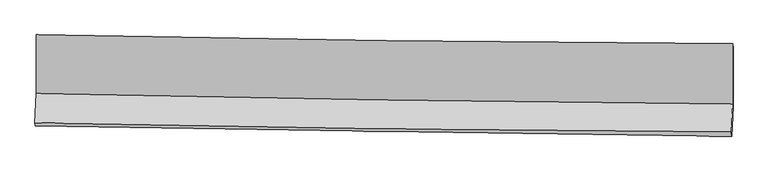
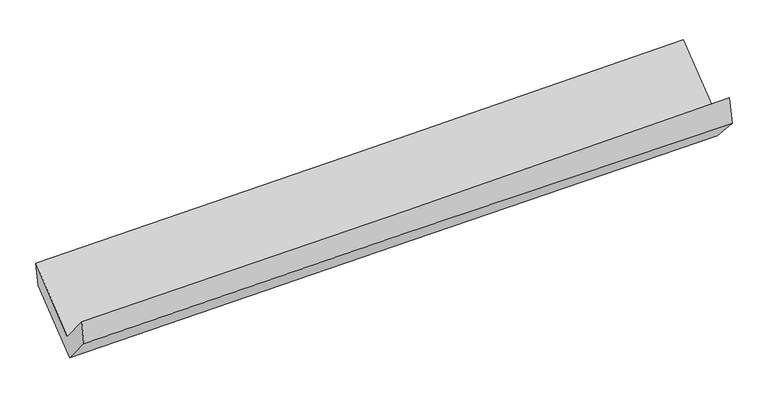
"""IFC4 building model written with IfcOpenShell, lengths in millimetres: proxy geometry."""

from ifc_helpers import new_model, si_unit, frame, origin, place, context, project, spatial, source, transform, mapped, element, save
from ifc_brep_helpers import plane_surface, spline_curve, spline_surface, advanced_brep


def generic_models_e59bf74f(model_context):
    return source(origin(), model_context, "Body", "AdvancedBrep", [
        advanced_brep(
        [(-3026.7546292, -1165.83268, 2167.0487364), (-3026.6696941, -1674.0561275, 1743.7208735), (3015.4347818, -1767.8079747, 1901.857814), (3015.0855349, -1240.9657409, 2320.8025272), (-3036.9589082, -1931.0447462, 2053.1809308), (3005.2571406, -2012.1902578, 2215.6898805), (-3033.3793506, -1957.3598857, 1850.1118087), (3009.4636353, -2047.2754477, 1982.1957039), (-3023.5553532, -1708.7307167, 1557.3315494), (3019.2661075, -1791.1911867, 1695.7263057), (-3023.2774894, -1198.3784578, 1964.0319362), (3018.7765873, -1276.5138431, 2112.2878826)],
        [
            (0, 1),
            (1, 2, spline_curve(3, [(-3026.6696941, -1674.0561275, 1743.7208735), (-2019.679238707, -1697.020932921, 1766.612512657), (-1012.672490785, -1716.316012398, 1791.236493981), (1001.362334636, -1747.566546172, 1843.948846459), (2008.390412136, -1759.52208235, 1872.037178401), (3015.4347818, -1767.8079747, 1901.857814)], [4, 2, 4], [0.0, 9.915785027670044, 19.83145923594295])),
            (2, 3),
            (3, 0, spline_curve(3, [(3015.0855349, -1240.9657409, 2320.8025272), (2007.949911947, -1236.800424303, 2297.425812614), (1000.898233323, -1228.456735974, 2272.924717528), (-1013.04849018, -1203.412475877, 2221.673478877), (-2019.94353284, -1186.711810436, 2194.923310716), (-3026.7546292, -1165.83268, 2167.0487364)], [4, 2, 4], [0.0, 9.915674208272907, 19.83145923594295])),
            (1, 4),
            (4, 5, spline_curve(3, [(-3036.9589082, -1931.0447462, 2053.1809308), (-2029.986267773, -1953.48729045, 2077.467245784), (-1022.979129493, -1971.470701488, 2103.152899061), (991.092887537, -1998.519105564, 2157.322580235), (1998.157765429, -2007.58419848, 2185.806576659), (3005.2571406, -2012.1902578, 2215.6898805)], [4, 2, 4], [0.0, 9.916371217454428, 19.832631608960426])),
            (5, 2),
            (4, 6),
            (6, 7, spline_curve(3, [(-3033.3793506, -1957.3598857, 1850.1118087), (-2026.462976981, -1975.757521372, 1881.575402111), (-1019.431726739, -1992.449334992, 1908.314225188), (994.849271015, -2022.421150923, 1952.342084982), (2002.099016047, -2035.7011913, 1969.631226797), (3009.4636353, -2047.2754477, 1982.1957039)], [4, 2, 4], [0.0, 9.916349338685228, 19.832587851666545])),
            (7, 5),
            (6, 8),
            (8, 9, spline_curve(3, [(-3023.5553532, -1708.7307167, 1557.3315494), (-2016.637486442, -1728.347427431, 1587.715685145), (-1009.607283476, -1745.027510576, 1614.440693009), (1004.666539391, -1772.514268226, 1660.572196805), (2011.910156547, -1783.321008362, 1679.978774215), (3019.2661075, -1791.1911867, 1695.7263057)], [4, 2, 4], [0.0, 9.916460485615788, 19.83281014428548])),
            (9, 7),
            (8, 10),
            (10, 11, spline_curve(3, [(-3023.2774894, -1198.3784578, 1964.0319362), (-2016.448960782, -1221.319947028, 1990.690387541), (-1009.527376316, -1239.301982674, 2016.374338951), (1004.490651661, -1265.346999985, 2065.792966095), (2011.587092335, -1273.410093104, 2089.527663532), (3018.7765873, -1276.5138431, 2112.2878826)], [4, 2, 4], [0.0, 9.915974656131173, 19.83183849074591])),
            (11, 9),
            (10, 0),
            (3, 11),
        ],
        [
            spline_surface(3, 3, [[(-3026.7546292, -1165.83268, 2167.0487364), (-2019.94353268, -1186.711810536, 2194.92331068), (-1013.048490056, -1203.412475811, 2221.673478961), (1000.8982332, -1228.45673604, 2272.924717444), (2007.949911917, -1236.800424412, 2297.425812731), (3015.0855349, -1240.9657409, 2320.8025272)], [(-3026.726317502, -1335.240495842, 2025.939448778), (-2019.855434687, -1356.814851289, 2052.153044724), (-1012.923157007, -1374.380321366, 2078.194483996), (1001.052933718, -1401.493339417, 2129.932760393), (2008.096745351, -1411.040977019, 2155.629601317), (3015.201950516, -1416.579818837, 2181.154289464)], [(-3026.698005798, -1504.648311658, 1884.830161122), (-2019.767336687, -1526.917892017, 1909.382778735), (-1012.797823955, -1545.348166882, 1934.715489073), (1001.207634239, -1574.529942756, 1986.940803383), (2008.243578838, -1585.281529616, 2013.833389912), (3015.318366184, -1592.193896763, 2041.506051736)], [(-3026.6696941, -1674.0561275, 1743.7208735), (-2019.679238693, -1697.02093277, 1766.612512779), (-1012.672490905, -1716.316012437, 1791.236494108), (1001.362334757, -1747.566546133, 1843.948846332), (2008.390412273, -1759.522082223, 1872.037178498), (3015.4347818, -1767.8079747, 1901.857814)]], [4, 4], [4, 2, 4], [0.0, 2.203080078244453], [0.0, 9.915785027670044, 19.83145923594295]),
            spline_surface(3, 3, [[(-3026.6696941, -1674.0561275, 1743.7208735), (-2019.679238693, -1697.02093277, 1766.612512779), (-1012.672490905, -1716.316012437, 1791.236494108), (1001.362334757, -1747.566546133, 1843.948846332), (2008.390412273, -1759.522082223, 1872.037178498), (3015.4347818, -1767.8079747, 1901.857814)], [(-3030.09943213, -1759.719000415, 1846.87422595), (-2023.114915026, -1782.509718673, 1870.230757084), (-1016.108037089, -1801.367575416, 1895.208629098), (997.939185703, -1831.217399272, 1948.406757636), (2004.979530065, -1842.209454326, 1976.626977913), (3012.042234754, -1849.268735739, 2006.468502837)], [(-3033.52917017, -1845.381873285, 1950.02757835), (-2026.550591368, -1867.998504529, 1973.849001338), (-1019.543583321, -1886.419138459, 1999.180764075), (994.516036602, -1914.868252474, 2052.864668927), (2001.568647796, -1924.896826413, 2081.216777316), (3008.649687646, -1930.729496761, 2111.079191663)], [(-3036.9589082, -1931.0447462, 2053.1809308), (-2029.986267701, -1953.487290432, 2077.467245643), (-1022.979129505, -1971.470701439, 2103.152899064), (991.092887548, -1998.519105613, 2157.322580232), (1998.157765589, -2007.584198517, 2185.806576732), (3005.2571406, -2012.1902578, 2215.6898805)]], [4, 4], [4, 2, 4], [0.0, 1.3200598112551394], [0.0, 9.916371217454428, 19.832631608960426]),
            spline_surface(3, 3, [[(-3036.9589082, -1931.0447462, 2053.1809308), (-2029.986267701, -1953.487290432, 2077.467245643), (-1022.979129505, -1971.470701439, 2103.152899064), (991.092887548, -1998.519105613, 2157.322580232), (1998.157765589, -2007.584198517, 2185.806576732), (3005.2571406, -2012.1902578, 2215.6898805)], [(-3035.765722326, -1939.816459365, 1985.491223403), (-2028.811837475, -1960.91070072, 2012.169964486), (-1021.796661937, -1978.463579291, 2038.206674497), (992.345015387, -2006.486454032, 2088.995748435), (1999.471515758, -2016.956529424, 2113.748126745), (3006.659305491, -2023.885321123, 2137.858488302)], [(-3034.572536474, -1948.588172535, 1917.801516097), (-2027.637407269, -1968.334111012, 1946.872683419), (-1020.614194363, -1985.456457168, 1973.260449912), (993.597143232, -2014.453802476, 2020.668916622), (2000.785265956, -2026.328860261, 2041.689676752), (3008.061470409, -2035.580384377, 2060.027096098)], [(-3033.3793506, -1957.3598857, 1850.1118087), (-2026.462977043, -1975.7575213, 1881.575402262), (-1019.431726795, -1992.449335021, 1908.314225345), (994.849271071, -2022.421150895, 1952.342084825), (2002.099016126, -2035.701191168, 1969.631226765), (3009.4636353, -2047.2754477, 1982.1957039)]], [4, 4], [4, 2, 4], [0.0, 0.6600991471272126], [0.0, 9.916349338685228, 19.832587851666545]),
            spline_surface(3, 3, [[(-3033.3793506, -1957.3598857, 1850.1118087), (-2026.462977043, -1975.7575213, 1881.575402262), (-1019.431726795, -1992.449335021, 1908.314225345), (994.849271071, -2022.421150895, 1952.342084825), (2002.099016126, -2035.701191168, 1969.631226765), (3009.4636353, -2047.2754477, 1982.1957039)], [(-3030.10468482, -1874.483496012, 1752.518388939), (-2023.187813525, -1893.287489969, 1783.622163176), (-1016.156912336, -1909.97539353, 1810.356381256), (998.121693829, -1939.118856679, 1855.085455462), (2005.369396261, -1951.574463557, 1873.080409189), (3012.731126033, -1961.914027346, 1886.705904495)], [(-3026.83001898, -1791.607106388, 1654.924969161), (-2019.912649946, -1810.817458703, 1685.668924071), (-1012.882097883, -1827.501452043, 1712.398537167), (1001.394116581, -1855.816562466, 1757.828826098), (2008.639776397, -1867.447736008, 1776.529591628), (3015.998616767, -1876.552607054, 1791.216105105)], [(-3023.5553532, -1708.7307167, 1557.3315494), (-2016.637486427, -1728.347427373, 1587.715684985), (-1009.607283424, -1745.027510553, 1614.440693079), (1004.666539339, -1772.51426825, 1660.572196735), (2011.910156532, -1783.321008396, 1679.978774052), (3019.2661075, -1791.1911867, 1695.7263057)]], [4, 4], [4, 2, 4], [0.0, 1.2607775703458837], [0.0, 9.916460485615788, 19.83281014428548]),
            spline_surface(3, 3, [[(-3023.5553532, -1708.7307167, 1557.3315494), (-2016.637486427, -1728.347427373, 1587.715684985), (-1009.607283424, -1745.027510553, 1614.440693079), (1004.666539339, -1772.51426825, 1660.572196735), (2011.910156532, -1783.321008396, 1679.978774052), (3019.2661075, -1791.1911867, 1695.7263057)], [(-3023.462731935, -1538.613297063, 1692.898345025), (-2016.574644583, -1559.338267288, 1722.040585857), (-1009.580647669, -1576.452334564, 1748.418575051), (1004.607910059, -1603.45851223, 1795.645786485), (2011.802468448, -1613.35070332, 1816.495070479), (3019.102934089, -1619.632072182, 1834.580164653)], [(-3023.370110665, -1368.495877437, 1828.465140575), (-2016.511802734, -1390.329107214, 1856.365486655), (-1009.554011911, -1407.877158516, 1882.396457056), (1004.549280781, -1434.40275615, 1930.719376269), (2011.694780397, -1443.380398196, 1953.011366946), (3018.939760711, -1448.072957618, 1973.434023647)], [(-3023.2774894, -1198.3784578, 1964.0319362), (-2016.44896089, -1221.319947129, 1990.690387528), (-1009.527376156, -1239.301982528, 2016.374339027), (1004.490651501, -1265.347000131, 2065.792966018), (2011.587092313, -1273.410093119, 2089.527663372), (3018.7765873, -1276.5138431, 2112.2878826)]], [4, 4], [4, 2, 4], [0.0, 2.1246129853481834], [0.0, 9.915974656131173, 19.83183849074591]),
            spline_surface(3, 3, [[(-3023.2774894, -1198.3784578, 1964.0319362), (-2016.44896089, -1221.319947129, 1990.690387528), (-1009.527376156, -1239.301982528, 2016.374339027), (1004.490651501, -1265.347000131, 2065.792966018), (2011.587092313, -1273.410093119, 2089.527663372), (3018.7765873, -1276.5138431, 2112.2878826)], [(-3024.436535986, -1187.529865203, 2031.704202905), (-2017.61381814, -1209.7839016, 2058.76802855), (-1010.701080803, -1227.33881362, 2084.807385686), (1003.29317872, -1253.050245432, 2134.836883175), (2010.374698865, -1261.20687019, 2158.827046507), (3017.546236518, -1264.664475673, 2181.792764148)], [(-3025.595582614, -1176.681272597, 2099.376469695), (-2018.778675431, -1198.247856064, 2126.845669657), (-1011.874785409, -1215.375644719, 2153.240432302), (1002.09570598, -1240.753490739, 2203.880800288), (2009.162305364, -1249.003647342, 2228.126429597), (3016.315885682, -1252.815108327, 2251.297645652)], [(-3026.7546292, -1165.83268, 2167.0487364), (-2019.94353268, -1186.711810536, 2194.92331068), (-1013.048490056, -1203.412475811, 2221.673478961), (1000.8982332, -1228.45673604, 2272.924717444), (2007.949911917, -1236.800424412, 2297.425812731), (3015.0855349, -1240.9657409, 2320.8025272)]], [4, 4], [4, 2, 4], [0.0, 0.6871122118981561], [0.0, 9.915404668034466, 19.830698520922716]),
            plane_surface(frame((3013.8806313, -1689.3240751, 2038.0933523), z_axis=(0.9996727705448288, -0.015511966028819537, 0.020340372197843726), x_axis=(-0.0007393110110041214, 0.7773052092351803, 0.6291232511321463))),
            plane_surface(frame((-3028.4325708, -1605.9004356, 1889.2376392), z_axis=(-0.9996730171483004, 0.016266726040664047, -0.01972948072130372), x_axis=(0.01690900270807924, -0.15826704795924898, -0.9872515521171304))),
        ],
        [
            (0, [[1, 2, 3, 4]]),
            (1, [[5, 6, 7, -2]]),
            (2, [[8, 9, 10, -6]]),
            (3, [[11, 12, 13, -9]]),
            (4, [[14, 15, 16, -12]]),
            (5, [[17, -4, 18, -15]]),
            (6, [[-16, -18, -3, -7, -10, -13]]),
            (7, [[-17, -14, -11, -8, -5, -1]]),
        ],
    ),
    ])


if __name__ == "__main__":
    model = new_model("IFC4")
    model_context = context("Model", 3, world=origin())
    ifc_project = project(units=[si_unit("LENGTHUNIT", "METRE", prefix="MILLI")], contexts=[model_context])
    site = spatial("IfcSite", under=ifc_project)
    building = spatial("IfcBuilding", under=site)
    placement = place(None, origin())
    generic_models_shape = generic_models_e59bf74f(model_context)
    element("IfcBuildingElementProxy", 1, Name="Generic Models", at=placement, inside=building, context=model_context, shape_type="MappedRepresentation", body=[
        mapped(generic_models_shape, transform((0.0, 0.0, 0.0), x_axis=(1.0, 0.0, 0.0), y_axis=(0.0, 1.0, 0.0), z_axis=(0.0, 0.0, 1.0))),
    ])
    save(model, "model.ifc")
